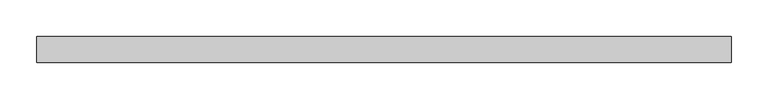
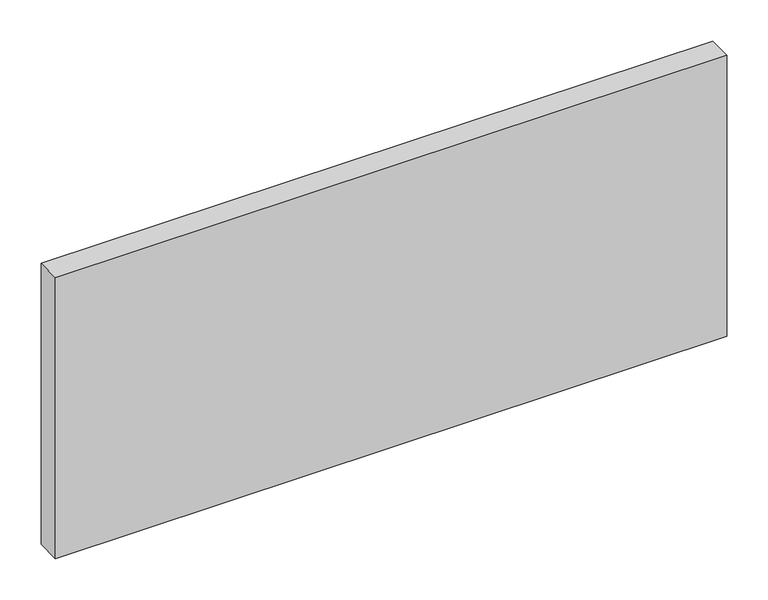
"""IFC4 building model written with IfcOpenShell, lengths in millimetres: plate geometry."""

from ifc_helpers import new_model, si_unit, origin, origin_with_axes, place, context, project, spatial, polyline, outline, extrude, source, transform, mapped, element, save


def plate_2af8b683(model_context):
    return source(origin(), model_context, "Body", "SweptSolid", [
        extrude(outline(polyline([(471.875, -17.5), (-471.875, -17.5), (-471.875, 17.5), (471.875, 17.5), (471.875, -17.5)])), origin_with_axes(), (0.0, 0.0, 1.0), 417.625),
    ])


if __name__ == "__main__":
    model = new_model("IFC4")
    model_context = context("Model", 3, world=origin())
    ifc_project = project(units=[si_unit("LENGTHUNIT", "METRE", prefix="MILLI")], contexts=[model_context])
    site = spatial("IfcSite", under=ifc_project)
    building = spatial("IfcBuilding", under=site)
    placement = place(None, origin())
    plate_shape = plate_2af8b683(model_context)
    element("IfcPlate", 1, at=placement, inside=building, context=model_context, shape_type="MappedRepresentation", body=[
        mapped(plate_shape, transform((0.0, 0.0, 0.0), x_axis=(1.0, 0.0, 0.0), y_axis=(0.0, 1.0, 0.0), z_axis=(0.0, 0.0, 1.0))),
    ])
    save(model, "model.ifc")
